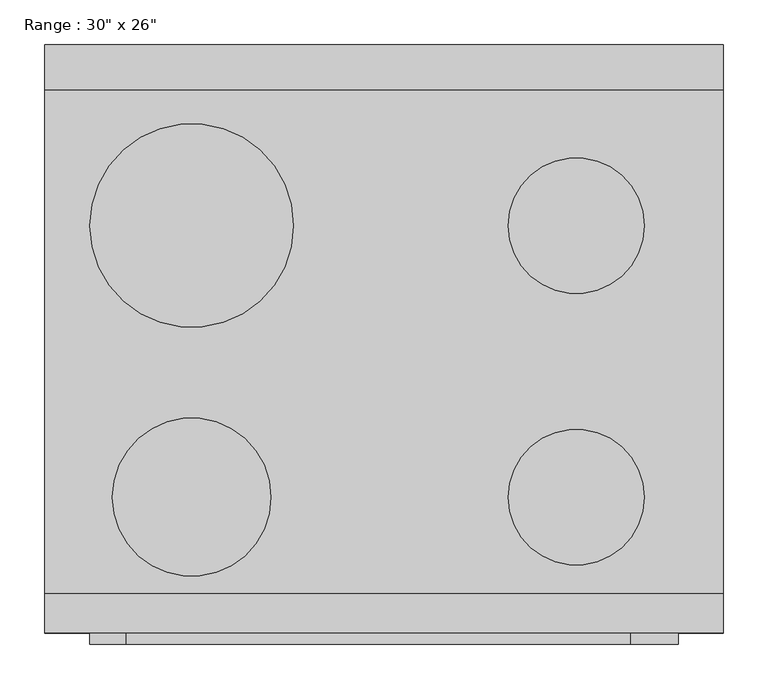
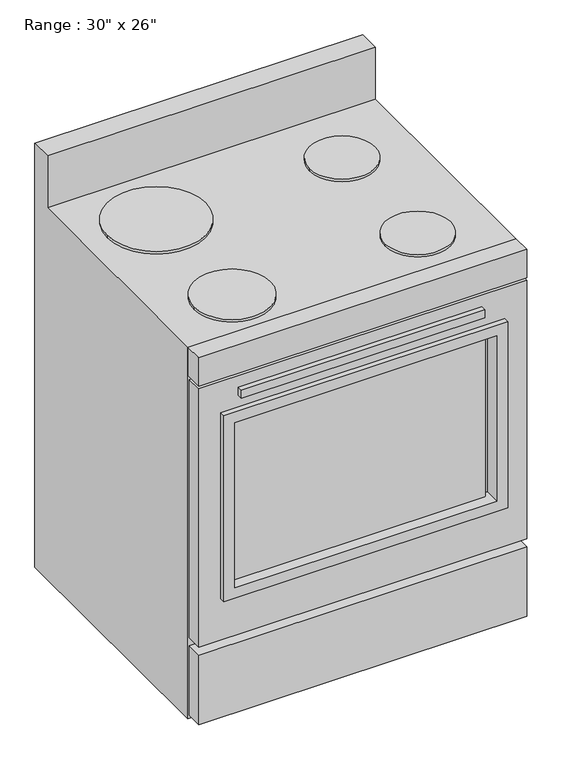
"""IFC4 building model written with IfcOpenShell, lengths in millimetres: proxy geometry."""

from ifc_helpers import new_model, si_unit, point, frame, frame_2d, origin, place, context, project, spatial, polyline, circle_curve, trimmed, segment, composite_curve, outline, extrude, faceted_brep, source, transform, mapped, element, save


def proxy_fbb4c072(model_context):
    return source(origin(), model_context, "Body", "SolidModel", [
        faceted_brep([(762.0, 660.4, 0.0), (0.0, 660.4, 0.0), (0.0, 660.4, 1041.4), (762.0, 660.4, 1041.4), (736.6, 660.4, 889.2220355), (25.4, 660.4, 889.2220355), (25.4, 660.4, 254.0), (736.6, 660.4, 254.0), (762.0, 44.45, 914.4), (0.0, 44.45, 914.4), (0.0, 44.45, 0.0), (762.0, 44.45, 0.0), (736.6, 44.45, 889.2220355), (736.6, 44.45, 254.0), (25.4, 44.45, 254.0), (25.4, 44.45, 889.2220355), (762.0, 609.6, 1041.4), (762.0, 609.6, 914.4), (0.0, 609.6, 914.4), (0.0, 609.6, 1041.4)], [[[0, 1, 2, 3], [4, 5, 6, 7]], [[8, 9, 10, 11], [12, 13, 14, 15]], [[0, 3, 16, 17, 8, 11]], [[1, 0, 11, 10]], [[2, 1, 10, 9, 18, 19]], [[9, 8, 17, 18]], [[5, 4, 12, 15]], [[6, 5, 15, 14]], [[7, 6, 14, 13]], [[4, 7, 13, 12]], [[16, 3, 2, 19]], [[17, 16, 19, 18]]]),
        extrude(outline(polyline([(657.225, -12.7), (91.687309, -12.7), (91.687309, 0.0), (657.225, 0.0), (657.225, -12.7)])), frame((0.0, 0.0, 791.2768639), z_axis=(0.0, 0.0, 1.0), x_axis=(1.0, 0.0, 0.0)), (0.0, 0.0, 1.0), 19.05),
        extrude(outline(polyline([(673.1, 12.7), (76.2, 12.7), (76.2, 19.05), (673.1, 19.05), (673.1, 12.7)])), frame((0.0, 0.0, 330.2), z_axis=(0.0, 0.0, 1.0), x_axis=(1.0, 0.0, 0.0)), (0.0, 0.0, 1.0), 406.4),
        extrude(outline(polyline([(762.0, 0.0), (0.0, 0.0), (0.0, 44.45), (762.0, 44.45), (762.0, 0.0)])), frame((0.0, 0.0, 844.7720355), z_axis=(0.0, 0.0, 1.0), x_axis=(1.0, 0.0, 0.0)), (0.0, 0.0, 1.0), 69.6279645),
        extrude(outline(polyline([(762.0, 711.2), (762.0, 50.8), (304.8, 50.8), (304.8, 711.2), (762.0, 711.2)]), holes=[polyline([(736.6, 685.8), (330.2, 685.8), (330.2, 76.2), (736.6, 76.2), (736.6, 685.8)])]), frame((0.0, -12.7, 0.0), z_axis=(0.0, 1.0, 0.0), x_axis=(0.0, 0.0, 1.0)), (0.0, 0.0, 1.0), 38.1),
        extrude(outline(composite_curve([segment(trimmed(circle_curve(frame_2d((165.1, 457.2)), 114.3), [point((50.8, 457.2))], [point((279.4, 457.2))], False, "CARTESIAN"), True, "CONTINUOUS"), segment(trimmed(circle_curve(frame_2d((165.1, 457.2)), 114.3), [point((279.4, 457.2))], [point((50.8, 457.2))], False, "CARTESIAN"), True, "CONTINUOUS")], self_intersect=False)), frame((0.0, 0.0, 914.4), z_axis=(0.0, 0.0, 1.0), x_axis=(1.0, 0.0, 0.0)), (0.0, 0.0, 1.0), 6.35),
        extrude(outline(composite_curve([segment(trimmed(circle_curve(frame_2d((596.9, 457.2)), 76.2), [point((520.7, 457.2))], [point((673.1, 457.2))], False, "CARTESIAN"), True, "CONTINUOUS"), segment(trimmed(circle_curve(frame_2d((596.9, 457.2)), 76.2), [point((673.1, 457.2))], [point((520.7, 457.2))], False, "CARTESIAN"), True, "CONTINUOUS")], self_intersect=False)), frame((0.0, 0.0, 914.4), z_axis=(0.0, 0.0, 1.0), x_axis=(1.0, 0.0, 0.0)), (0.0, 0.0, 1.0), 6.35),
        extrude(outline(composite_curve([segment(trimmed(circle_curve(frame_2d((596.9, 152.4)), 76.2), [point((520.7, 152.4))], [point((673.1, 152.4))], False, "CARTESIAN"), True, "CONTINUOUS"), segment(trimmed(circle_curve(frame_2d((596.9, 152.4)), 76.2), [point((673.1, 152.4))], [point((520.7, 152.4))], False, "CARTESIAN"), True, "CONTINUOUS")], self_intersect=False)), frame((0.0, 0.0, 914.4), z_axis=(0.0, 0.0, 1.0), x_axis=(1.0, 0.0, 0.0)), (0.0, 0.0, 1.0), 6.35),
        extrude(outline(composite_curve([segment(trimmed(circle_curve(frame_2d((165.1, 152.4)), 88.9), [point((76.2, 152.4))], [point((254.0, 152.4))], False, "CARTESIAN"), True, "CONTINUOUS"), segment(trimmed(circle_curve(frame_2d((165.1, 152.4)), 88.9), [point((254.0, 152.4))], [point((76.2, 152.4))], False, "CARTESIAN"), True, "CONTINUOUS")], self_intersect=False)), frame((0.0, 0.0, 914.4), z_axis=(0.0, 0.0, 1.0), x_axis=(1.0, 0.0, 0.0)), (0.0, 0.0, 1.0), 6.35),
        extrude(outline(polyline([(25.4, 660.4), (736.6, 660.4), (736.6, 635.0), (25.4, 635.0), (25.4, 660.4)])), frame((0.0, 0.0, 254.0), z_axis=(0.0, 0.0, 1.0), x_axis=(1.0, 0.0, 0.0)), (0.0, 0.0, 1.0), 635.2220355),
        extrude(outline(polyline([(838.4220355, 762.0), (838.4220355, 0.0), (203.2, 0.0), (203.2, 762.0), (838.4220355, 762.0)]), holes=[polyline([(762.0, 711.2), (304.8, 711.2), (304.8, 50.8), (762.0, 50.8), (762.0, 711.2)])]), frame((0.0, 0.0, 0.0), z_axis=(0.0, 1.0, 0.0), x_axis=(0.0, 0.0, 1.0)), (0.0, 0.0, 1.0), 38.1),
        extrude(outline(polyline([(762.0, 0.0), (0.0, 0.0), (0.0, 38.1), (762.0, 38.1), (762.0, 0.0)])), frame((0.0, 0.0, 12.7), z_axis=(0.0, 0.0, 1.0), x_axis=(1.0, 0.0, 0.0)), (0.0, 0.0, 1.0), 171.45),
    ])


if __name__ == "__main__":
    model = new_model("IFC4")
    model_context = context("Model", 3, world=origin())
    ifc_project = project(units=[si_unit("LENGTHUNIT", "METRE", prefix="MILLI")], contexts=[model_context])
    site = spatial("IfcSite", under=ifc_project)
    building = spatial("IfcBuilding", under=site)
    placement = place(None, origin())
    proxy_shape = proxy_fbb4c072(model_context)
    element("IfcBuildingElementProxy", 1, Name="Range : 30\" x 26\"", ObjectType="Range : 30\" x 26\"", at=placement, inside=building, context=model_context, shape_type="MappedRepresentation", body=[
        mapped(proxy_shape, transform((0.0, 0.0, 0.0), x_axis=(1.0, 0.0, 0.0), y_axis=(0.0, 1.0, 0.0), z_axis=(0.0, 0.0, 1.0))),
    ])
    save(model, "model.ifc")
